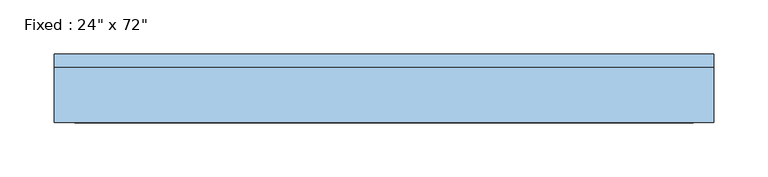
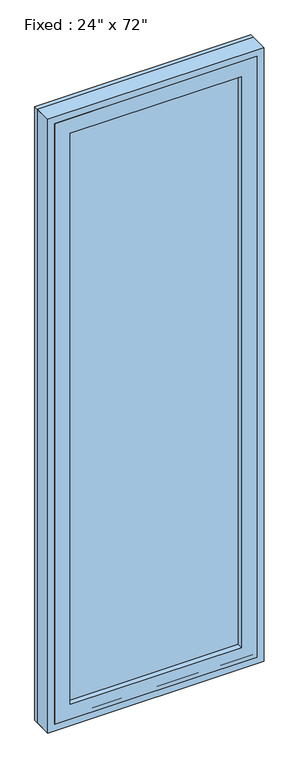
"""IFC4 building model written with IfcOpenShell, lengths in millimetres: window geometry."""

from ifc_helpers import new_model, si_unit, frame, origin, place, context, project, spatial, polyline, outline, extrude, source, transform, mapped, element, save


def window_1631dbc4(model_context):
    return source(origin(), model_context, "Body", "SweptSolid", [
        extrude(outline(polyline([(203.2, -41.275), (-279.4, -41.275), (-279.4, -28.575), (203.2, -28.575), (203.2, -41.275)])), frame((0.0, 0.0, 368.3), z_axis=(0.0, 0.0, 1.0), x_axis=(1.0, 0.0, 0.0)), (0.0, 0.0, 1.0), 1701.8),
        extrude(outline(polyline([(2114.55, -323.85), (323.85, -323.85), (323.85, 247.65), (2114.55, 247.65), (2114.55, -323.85)]), holes=[polyline([(2070.1, -279.4), (2070.1, 203.2), (368.3, 203.2), (368.3, -279.4), (2070.1, -279.4)])]), frame((0.0, -57.15, 0.0), z_axis=(0.0, 1.0, 0.0), x_axis=(0.0, 0.0, 1.0)), (0.0, 0.0, 1.0), 44.45),
        extrude(outline(polyline([(2133.6, -342.9), (304.8, -342.9), (304.8, 266.7), (2133.6, 266.7), (2133.6, -342.9)]), holes=[polyline([(2101.85, -311.15), (2101.85, 234.95), (336.55, 234.95), (336.55, -311.15), (2101.85, -311.15)])]), frame((0.0, -57.15, 0.0), z_axis=(0.0, 1.0, 0.0), x_axis=(0.0, 0.0, 1.0)), (0.0, 0.0, 1.0), 50.8),
        extrude(outline(polyline([(2133.6, 266.7), (2133.6, -342.9), (304.8, -342.9), (304.8, 266.7), (2133.6, 266.7)]), holes=[polyline([(2114.55, 247.65), (323.85, 247.65), (323.85, -323.85), (2114.55, -323.85), (2114.55, 247.65)])]), frame((0.0, -57.15, 0.0), z_axis=(0.0, 1.0, 0.0), x_axis=(0.0, 0.0, 1.0)), (0.0, 0.0, 1.0), 63.5),
    ])


if __name__ == "__main__":
    model = new_model("IFC4")
    model_context = context("Model", 3, world=origin())
    ifc_project = project(units=[si_unit("LENGTHUNIT", "METRE", prefix="MILLI")], contexts=[model_context])
    site = spatial("IfcSite", under=ifc_project)
    building = spatial("IfcBuilding", under=site)
    placement = place(None, origin())
    window_shape = window_1631dbc4(model_context)
    element("IfcWindow", 1, ObjectType="Fixed : 24\" x 72\"", at=placement, inside=building, context=model_context, shape_type="MappedRepresentation", body=[
        mapped(window_shape, transform((0.0, 0.0, 0.0), x_axis=(1.0, 0.0, 0.0), y_axis=(0.0, 1.0, 0.0), z_axis=(0.0, 0.0, 1.0))),
    ])
    save(model, "model.ifc")
